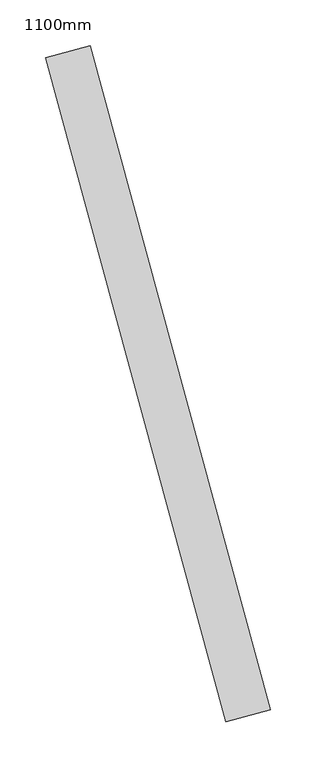
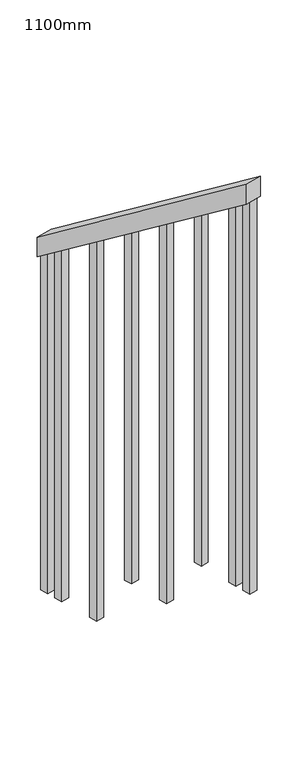
"""IFC4 building model written with IfcOpenShell, lengths in millimetres: railing geometry, 1100mm."""

from ifc_helpers import new_model, si_unit, frame, origin, place, context, project, spatial, polyline, outline, extrude, source, transform, mapped, element, save


def railing_1100mm_2fddc1e0(model_context):
    return source(origin(), model_context, "Body", "SweptSolid", [
        extrude(outline(polyline([(35.5555555, -50.0), (0.0, 0.0), (920.2958462, 0.0), (955.8514017, -49.9999999), (35.5555555, -50.0)])), frame((201497.3584904, 42571.4698377, 1216.4247214), z_axis=(0.964989412360186, 0.2622888370341804, 0.0), x_axis=(0.2137536843159558, -0.7864232597554223, 0.5795237863599824)), (0.0, 0.0, 1.0), 50.0),
        extrude(outline(polyline([(108.8888889, 0.0), (1271.980277, 0.0), (1271.980277, -25.0), (91.1111112, -25.0), (108.8888889, 0.0)])), frame((201686.465823, 41923.3805948, 1805.3136103), z_axis=(0.9649894123601861, 0.26228883703418043, 0.0), x_axis=(0.0, 0.0, -1.0)), (0.0, 0.0, 1.0), 25.0),
        extrude(outline(polyline([(108.8888889, 0.0), (1183.0913881, 0.0), (1183.0913881, -25.0), (91.1111111, -25.0), (108.8888889, 0.0)])), frame((201653.6797184, 42044.0042714, 1716.4247214), z_axis=(0.9649894123601861, 0.26228883703418043, 0.0), x_axis=(0.0, 0.0, -1.0)), (0.0, 0.0, 1.0), 25.0),
        extrude(outline(polyline([(108.8888889, 0.0), (1271.9802769, 0.0), (1271.9802769, -25.0), (91.1111111, -25.0), (108.8888889, 0.0)])), frame((201620.8936138, 42164.6279479, 1627.5358325), z_axis=(0.9649894123601861, 0.26228883703418043, 0.0), x_axis=(0.0, 0.0, -1.0)), (0.0, 0.0, 1.0), 25.0),
        extrude(outline(polyline([(108.8888889, 0.0), (1183.091388, 0.0), (1183.091388, -25.0), (91.1111111, -25.0), (108.8888889, 0.0)])), frame((201588.1075091, 42285.2516245, 1538.6469436), z_axis=(0.9649894123601861, 0.26228883703418043, 0.0), x_axis=(0.0, 0.0, -1.0)), (0.0, 0.0, 1.0), 25.0),
        extrude(outline(polyline([(108.8888889, 0.0), (1271.9802769, 0.0), (1271.9802769, -25.0), (91.1111111, -25.0), (108.8888889, 0.0)])), frame((201555.3214045, 42405.875301, 1449.7580547), z_axis=(0.9649894123601861, 0.26228883703418043, 0.0), x_axis=(0.0, 0.0, -1.0)), (0.0, 0.0, 1.0), 25.0),
        extrude(outline(polyline([(108.8888889, 0.0), (1183.091388, 0.0), (1183.091388, -25.0), (91.1111111, -25.0), (108.8888889, 0.0)])), frame((201522.5352999, 42526.4989776, 1360.8691658), z_axis=(0.9649894123601861, 0.26228883703418043, 0.0), x_axis=(0.0, 0.0, -1.0)), (0.0, 0.0, 1.0), 25.0),
        extrude(outline(polyline([(108.8888889, 0.0), (1307.5358325, 0.0), (1307.5358325, -25.0), (91.1111111, -25.0), (108.8888889, 0.0)])), frame((201699.5802649, 41875.1311242, 1840.8691658), z_axis=(0.9649894123601861, 0.26228883703418043, 0.0), x_axis=(0.0, 0.0, -1.0)), (0.0, 0.0, 1.0), 25.0),
        extrude(outline(polyline([(108.8888889, 0.0), (1147.5358325, 0.0), (1147.5358325, -25.0), (91.1111112, -25.0), (108.8888889, 0.0)])), frame((201509.420858, 42574.7484482, 1325.3136103), z_axis=(0.9649894123601861, 0.26228883703418043, 0.0), x_axis=(0.0, 0.0, -1.0)), (0.0, 0.0, 1.0), 25.0),
    ])


if __name__ == "__main__":
    model = new_model("IFC4")
    model_context = context("Model", 3, world=origin())
    ifc_project = project(units=[si_unit("LENGTHUNIT", "METRE", prefix="MILLI")], contexts=[model_context])
    site = spatial("IfcSite", under=ifc_project)
    building = spatial("IfcBuilding", under=site)
    placement = place(None, origin())
    railing_1100mm_shape = railing_1100mm_2fddc1e0(model_context)
    element("IfcRailing", 1, ObjectType="1100mm", at=placement, inside=building, context=model_context, shape_type="MappedRepresentation", body=[
        mapped(railing_1100mm_shape, transform((0.0, 0.0, 0.0), x_axis=(1.0, 0.0, 0.0), y_axis=(0.0, 1.0, 0.0), z_axis=(0.0, 0.0, 1.0))),
    ])
    save(model, "model.ifc")
